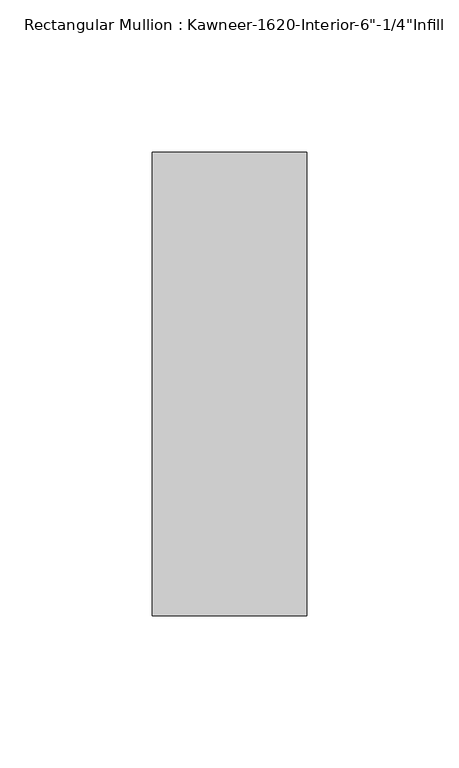
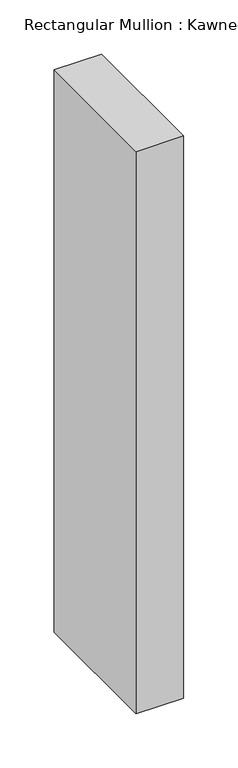
"""IFC4 building model written with IfcOpenShell, lengths in millimetres: member geometry."""

from ifc_helpers import new_model, si_unit, frame, origin, place, context, project, spatial, polyline, outline, extrude, source, transform, mapped, element, save


def member_dcb955e3(model_context):
    return source(origin(), model_context, "Body", "SweptSolid", [
        extrude(outline(polyline([(25.4, -123.825), (-25.4, -123.825), (-25.4, 28.575), (25.4, 28.575), (25.4, -123.825)])), frame((0.0, 0.0, -635.0), z_axis=(0.0, 0.0, 1.0), x_axis=(1.0, 0.0, 0.0)), (0.0, 0.0, 1.0), 635.0),
    ])


if __name__ == "__main__":
    model = new_model("IFC4")
    model_context = context("Model", 3, world=origin())
    ifc_project = project(units=[si_unit("LENGTHUNIT", "METRE", prefix="MILLI")], contexts=[model_context])
    site = spatial("IfcSite", under=ifc_project)
    building = spatial("IfcBuilding", under=site)
    placement = place(None, origin())
    member_shape = member_dcb955e3(model_context)
    element("IfcMember", 1, ObjectType="Rectangular Mullion : Kawneer-1620-Interior-6\"-1/4\"Infill", at=placement, inside=building, context=model_context, shape_type="MappedRepresentation", body=[
        mapped(member_shape, transform((0.0, 0.0, 0.0), x_axis=(1.0, 0.0, 0.0), y_axis=(0.0, 1.0, 0.0), z_axis=(0.0, 0.0, 1.0))),
    ])
    save(model, "model.ifc")
